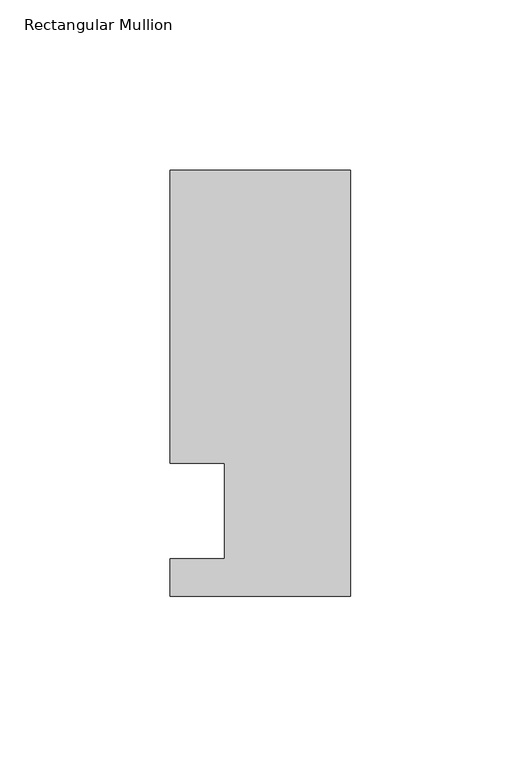
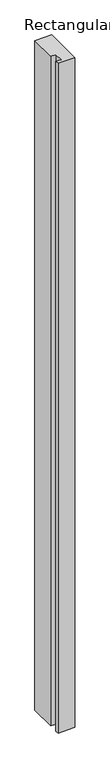
"""IFC4 building model written with IfcOpenShell, lengths in millimetres: member geometry, Rectangular Mullion."""

from ifc_helpers import new_model, si_unit, frame, origin, place, context, project, spatial, polyline, outline, extrude, source, transform, mapped, element, save


def rectangular_mullion_d0354aa0(model_context):
    return source(origin(), model_context, "Body", "SweptSolid", [
        extrude(outline(polyline([(0.0, -25.0), (-53.0, -25.0), (-53.0, -14.0), (-37.0, -14.0), (-37.0, 13.9998907), (-53.0, 13.9998907), (-53.0, 100.0), (0.0, 100.0), (0.0, -25.0)])), frame((0.0, 0.0, -2211.2021929), z_axis=(0.0, 0.0, 1.0), x_axis=(1.0, 0.0, 0.0)), (0.0, 0.0, 1.0), 2211.2021929),
    ])


if __name__ == "__main__":
    model = new_model("IFC4")
    model_context = context("Model", 3, world=origin())
    ifc_project = project(units=[si_unit("LENGTHUNIT", "METRE", prefix="MILLI")], contexts=[model_context])
    site = spatial("IfcSite", under=ifc_project)
    building = spatial("IfcBuilding", under=site)
    placement = place(None, origin())
    rectangular_mullion_shape = rectangular_mullion_d0354aa0(model_context)
    element("IfcMember", 1, ObjectType="Rectangular Mullion", at=placement, inside=building, context=model_context, shape_type="MappedRepresentation", body=[
        mapped(rectangular_mullion_shape, transform((0.0, 0.0, 0.0), x_axis=(1.0, 0.0, 0.0), y_axis=(0.0, 1.0, 0.0), z_axis=(0.0, 0.0, 1.0))),
    ])
    save(model, "model.ifc")
